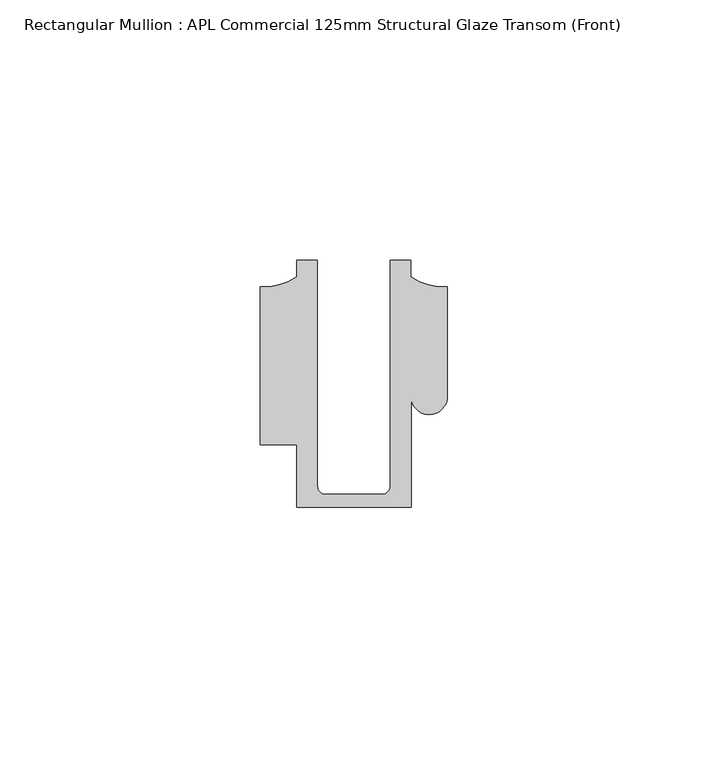
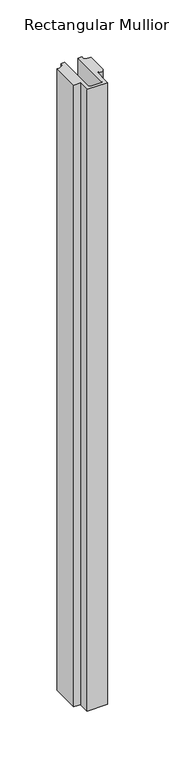
"""IFC4 building model written with IfcOpenShell, lengths in millimetres: member geometry, Rectangular Mullion : APL Commercial 125mm Structural Glaze Transom (Front)."""

import ifcopenshell
import ifcopenshell.guid

model = None  # the IFC model being written
_history = None  # IfcOwnerHistory: only IFC2X3 demands one
_inside = {}  # id of a spatial element -> (the spatial element, [elements in it])
_under = {}  # id of a project, library or spatial element -> (it, [spatial elements below it])
_declared = {}  # id of a project -> (the project, [libraries it declares])
_typed = {}  # id of a type object -> (the type object, [elements of that type])
_made_of = {}  # id of a material, layer set ... -> (it, [elements and type objects made of it])


def new_model(schema):
    """Start an empty IFC model of exactly this schema.

    Asked for "IFC4X3", IfcOpenShell would pick the latest addendum, in which some entities
    have other attributes; the version numbers below select the first issue.
    IFC2X3 requires an IfcOwnerHistory on every rooted entity: one is made here for all.
    """
    global model, _history
    if schema == "IFC4X3":
        model = ifcopenshell.file(schema_version=(4, 3, 0, 0))
    else:
        model = ifcopenshell.file(schema=schema)
    _inside.clear()
    _under.clear()
    _declared.clear()
    _typed.clear()
    _made_of.clear()
    _history = None
    if model.schema == "IFC2X3":
        org = make("IfcOrganization", Name="unknown")
        user = make(
            "IfcPersonAndOrganization",
            ThePerson=make("IfcPerson", FamilyName="unknown"),
            TheOrganization=org,
        )
        app = make(
            "IfcApplication",
            ApplicationDeveloper=org,
            Version="unknown",
            ApplicationFullName="unknown",
            ApplicationIdentifier="unknown",
        )
        _history = make(
            "IfcOwnerHistory",
            OwningUser=user,
            OwningApplication=app,
            ChangeAction="ADDED",
            CreationDate=0,
        )
    return model


def make(cls, **values):
    """One entity of the class cls with the attributes given. An attribute that is None is left unset."""
    return model.create_entity(
        cls, **{name: value for name, value in values.items() if value is not None}
    )


def rooted(cls, **values):
    """An entity with a GlobalId (a new one), such as an element, a storey or a relation."""
    return make(cls, GlobalId=ifcopenshell.guid.new(), OwnerHistory=_history, **values)


def si_unit(unit_type, name, prefix=None):
    """IfcSIUnit, for example si_unit("LENGTHUNIT", "METRE", prefix="MILLI")."""
    return make("IfcSIUnit", UnitType=unit_type, Prefix=prefix, Name=name)


def assignment(units):
    """IfcUnitAssignment: the units of a project."""
    return None if units is None else make("IfcUnitAssignment", Units=units)


def point(xyz):
    """IfcCartesianPoint."""
    return None if xyz is None else make("IfcCartesianPoint", Coordinates=xyz)


def direction(xyz):
    """IfcDirection."""
    return None if xyz is None else make("IfcDirection", DirectionRatios=xyz)


def frame(location, z_axis=None, x_axis=None):
    """IfcAxis2Placement3D, a coordinate frame: its origin and axes. An axis left out is left unset."""
    return make(
        "IfcAxis2Placement3D",
        Location=point(location),
        Axis=direction(z_axis),
        RefDirection=direction(x_axis),
    )


def origin():
    """The frame at (0, 0, 0) with its axes left unset."""
    return frame((0.0, 0.0, 0.0))


def place(relative_to, where):
    """IfcLocalPlacement: puts the frame where relative to a parent placement (None: the world)."""
    return make(
        "IfcLocalPlacement", PlacementRelTo=relative_to, RelativePlacement=where
    )


def context(
    kind, dimensions, precision=None, world=None, true_north=None, identifier=None
):
    """IfcGeometricRepresentationContext, for example the 3D "Model" context."""
    return make(
        "IfcGeometricRepresentationContext",
        ContextIdentifier=identifier,
        ContextType=kind,
        CoordinateSpaceDimension=dimensions,
        Precision=precision,
        WorldCoordinateSystem=world,
        TrueNorth=true_north,
    )


def project(units=None, contexts=None):
    """IfcProject with its units and contexts."""
    return rooted(
        "IfcProject",
        Name="project",
        RepresentationContexts=contexts,
        UnitsInContext=assignment(units),
    )


def spatial(cls, under=None, at=None, **own):
    """A site, building, storey or space (cls), placed at a placement, below another one or the project."""
    s = rooted(cls, ObjectPlacement=at, **own)
    if under is not None:
        _under.setdefault(under.id(), (under, []))[1].append(s)
    return s


def polyline(points):
    """IfcPolyline through the points."""
    return make("IfcPolyline", Points=[point(p) for p in points])


def circle_curve(where, radius):
    """IfcCircle in the frame where."""
    return make("IfcCircle", Position=where, Radius=radius)


def shape(context_of_items, identifier, shape_type, items):
    """IfcShapeRepresentation: the items that make up one representation, for example the "Body"."""
    return make(
        "IfcShapeRepresentation",
        ContextOfItems=context_of_items,
        RepresentationIdentifier=identifier,
        RepresentationType=shape_type,
        Items=items,
    )


def source(mapping_origin, context_of_items, identifier, shape_type, items):
    """IfcRepresentationMap: a shape defined once, which mapped items show again and again."""
    return make(
        "IfcRepresentationMap",
        MappingOrigin=mapping_origin,
        MappedRepresentation=shape(context_of_items, identifier, shape_type, items),
    )


def transform(
    local_origin,
    x_axis=None,
    y_axis=None,
    z_axis=None,
    scale=None,
    scale2=None,
    scale3=None,
    uniform=True,
):
    """IfcCartesianTransformationOperator3D, or its non-uniform kind. x_axis, y_axis, z_axis: its Axis1, 2, 3."""
    if uniform:
        return make(
            "IfcCartesianTransformationOperator3D",
            Axis1=direction(x_axis),
            Axis2=direction(y_axis),
            LocalOrigin=point(local_origin),
            Scale=scale,
            Axis3=direction(z_axis),
        )
    return make(
        "IfcCartesianTransformationOperator3DnonUniform",
        Axis1=direction(x_axis),
        Axis2=direction(y_axis),
        LocalOrigin=point(local_origin),
        Scale=scale,
        Axis3=direction(z_axis),
        Scale2=scale2,
        Scale3=scale3,
    )


def mapped(mapping_source, mapping_target):
    """IfcMappedItem: shows the shape of a source again, moved by a transform."""
    return make(
        "IfcMappedItem", MappingSource=mapping_source, MappingTarget=mapping_target
    )


def made_of(thing, what):
    """Note that an element or type object is made of a material, layer set ...; save() writes the relation."""
    if what is not None:
        _made_of.setdefault(what.id(), (what, []))[1].append(thing)
    return thing


def element(
    cls,
    number,
    at=None,
    inside=None,
    cuts=None,
    type_object=None,
    material=None,
    context=None,
    identifier="Body",
    shape_type=None,
    held_by="IfcProductDefinitionShape",
    body=None,
    shapes=None,
    **own,
):
    """One element of the class cls, such as IfcWall. Its Tag is "e" and its number.

    at: its placement. inside: the storey or other place that contains it. cuts: it is an
    opening in that element (IfcRelVoidsElement). A single representation is given by context,
    identifier, shape_type and body (its items); several are given by shapes. held_by: the class
    of the entity that holds the representations. save() writes the other relations.
    """
    e = rooted(cls, Tag="e%d" % number, ObjectPlacement=at, **own)
    if body is not None:
        shapes = [shape(context, identifier, shape_type, body)]
    if shapes is not None:
        e.Representation = make(held_by, Representations=shapes)
    if inside is not None:
        _inside.setdefault(inside.id(), (inside, []))[1].append(e)
    if cuts is not None:
        rooted(
            "IfcRelVoidsElement", RelatingBuildingElement=cuts, RelatedOpeningElement=e
        )
    if type_object is not None:
        _typed.setdefault(type_object.id(), (type_object, []))[1].append(e)
    return made_of(e, material)


def aggregate(whole, parts):
    """IfcRelAggregates: a whole, such as a stair, and the parts it consists of."""
    return rooted("IfcRelAggregates", RelatingObject=whole, RelatedObjects=parts)


def save(model, path):
    """Write the relations noted so far, then the file.

    IfcRelAggregates (storeys below a building ...), IfcRelContainedInSpatialStructure (elements
    in a storey), IfcRelDefinesByType, IfcRelAssociatesMaterial and IfcRelDeclares: one each for
    every whole, place, type object, material and project.
    """
    for whole, parts in _under.values():
        aggregate(whole, parts)
    for where, things in _inside.values():
        rooted(
            "IfcRelContainedInSpatialStructure",
            RelatedElements=things,
            RelatingStructure=where,
        )
    for kind, things in _typed.values():
        rooted("IfcRelDefinesByType", RelatedObjects=things, RelatingType=kind)
    for what, things in _made_of.values():
        rooted("IfcRelAssociatesMaterial", RelatedObjects=things, RelatingMaterial=what)
    for by, libraries in _declared.values():
        rooted("IfcRelDeclares", RelatingContext=by, RelatedDefinitions=libraries)
    model.write(path)


def plane_surface(at):
    """IfcPlane: the flat surface through the origin of the frame at, square to its z axis."""
    return make("IfcPlane", Position=at)


def cylinder_surface(at, radius):
    """IfcCylindricalSurface: all points at the distance radius from the z axis of the frame at."""
    return make("IfcCylindricalSurface", Position=at, Radius=radius)


def revolved_surface(curve, axis_point, axis_direction):
    """IfcSurfaceOfRevolution: the curve turned about the line through axis_point along axis_direction."""
    return make(
        "IfcSurfaceOfRevolution",
        SweptCurve=make("IfcArbitraryOpenProfileDef", ProfileType="CURVE", Curve=curve),
        AxisPosition=make("IfcAxis1Placement", Location=point(axis_point), Axis=direction(axis_direction)),
    )


def advanced_brep(points, edges, surfaces, faces):
    """IfcAdvancedBrep: a solid bounded by faces that lie on surfaces and meet in shared edges.

    An edge is (start, end): straight between two places in points (the first is 0);
    or (start, end, curve); or (start, end, curve, False) where it runs against its curve.
    A face is (place in surfaces, loops), or (place, loops, False) where it looks against
    its surface's normal. A loop lists edges by number (the first is 1), with a minus sign
    where the edge is run from its end to its start. The first loop is the outer one.
    """
    corners = [point(p) for p in points]
    vertices = [make("IfcVertexPoint", VertexGeometry=c) for c in corners]
    made = []
    for start, end, *more in edges:
        made.append(
            make(
                "IfcEdgeCurve",
                EdgeStart=vertices[start],
                EdgeEnd=vertices[end],
                EdgeGeometry=more[0] if more else make("IfcPolyline", Points=[corners[start], corners[end]]),
                SameSense=more[1] if len(more) > 1 else True,
            )
        )
    hull = []
    for where, loops, *sense in faces:
        bounds = []
        for j, loop in enumerate(loops):
            ring = [make("IfcOrientedEdge", EdgeElement=made[abs(k) - 1], Orientation=k > 0) for k in loop]
            bounds.append(
                make(
                    "IfcFaceOuterBound" if j == 0 else "IfcFaceBound",
                    Bound=make("IfcEdgeLoop", EdgeList=ring),
                    Orientation=True,
                )
            )
        hull.append(make("IfcAdvancedFace", Bounds=bounds, FaceSurface=surfaces[where], SameSense=sense[0] if sense else True))
    return make("IfcAdvancedBrep", Outer=make("IfcClosedShell", CfsFaces=hull))


def rectangular_mullion_apl_commercial_125mm_structural_glaze_621500fe(model_context):
    return source(origin(), model_context, "Body", "AdvancedBrep", [
        advanced_brep(
        [(-11.0000151, -27.0, 0.0), (11.001071, -27.0, 0.0), (11.001071, -5.5848769, 0.0), (17.9999091, -5.6750512, 0.0), (17.9999542, 15.3797475, 0.0), (11.0000151, 17.3125212, 0.0), (11.0000151, 20.5, 0.0), (6.9999849, 20.5, 0.0), (6.9999849, -22.9973451, 0.0), (5.4999872, -24.5, 0.0), (-5.4999873, -24.5, 0.0), (-6.9999853, -22.9976091, 0.0), (-6.9999853, 20.5, 0.0), (-10.9999994, 20.5, 0.0), (-10.9999994, 17.3125325, 0.0), (-17.9999542, 15.3797475, 0.0), (-17.9999542, -15.0006281, 0.0), (-11.0000151, -15.0006281, 0.0), (-11.0000151, -27.0, -695.1471772), (-11.0000151, -15.0006281, -695.1471772), (-17.9999542, -15.0006281, -695.1471772), (-17.9999542, 15.3797475, -695.1471772), (-10.9999994, 17.3125325, -695.1471772), (-10.9999994, 20.5, -695.1471772), (-6.9999853, 20.5, -695.1471772), (-6.9999853, -22.9976091, -695.1471772), (-5.4999873, -24.5, -695.1471772), (5.4999872, -24.5, -695.1471772), (6.9999849, -22.9973451, -695.1471772), (6.9999849, 20.5, -695.1471772), (11.0000151, 20.5, -695.1471772), (11.0000151, 17.3125212, -695.1471772), (17.9999542, 15.3797475, -695.1471772), (17.9999542, -5.684606, -695.1471772), (11.001071, -5.5848769, -695.1471772), (11.001071, -27.0, -695.1471772)],
        [
            (0, 1),
            (1, 2),
            (2, 3, circle_curve(frame((14.4999091, -5.6750512, 0.0), z_axis=(0.0, 0.0, 1.0), x_axis=(-0.9999826028573957, 0.005898642432633649, 0.0)), 3.5)),
            (3, 4),
            (4, 5, circle_curve(frame((17.109817, 25.7981812, 0.0), z_axis=(0.0, 0.0, -1.0), x_axis=(0.0, -1.0, 0.0)), 10.4563907)),
            (5, 6),
            (6, 7),
            (7, 8),
            (8, 9, circle_curve(frame((5.4999872, -23.0, 0.0), z_axis=(0.0, 0.0, -1.0), x_axis=(0.9999999999999986, 5.463622857820516e-08, 0.0)), 1.5)),
            (9, 10),
            (10, 11, circle_curve(frame((-5.4999873, -23.0, 0.0), z_axis=(0.0, 0.0, -1.0), x_axis=(2.7320010112268853e-08, -0.9999999999999997, 0.0)), 1.5)),
            (11, 12),
            (12, 13),
            (13, 14),
            (14, 15, circle_curve(frame((-17.109817, 25.7981812, 0.0), z_axis=(0.0, 0.0, -1.0), x_axis=(0.0, -1.0, 0.0)), 10.4563907)),
            (15, 16),
            (16, 17),
            (17, 0),
            (18, 19),
            (19, 20),
            (20, 21),
            (21, 22, circle_curve(frame((-17.109817, 25.7981812, -695.1471772), z_axis=(0.0, 0.0, 1.0), x_axis=(0.0, -1.0, 0.0)), 10.4563907)),
            (22, 23),
            (23, 24),
            (24, 25),
            (25, 26, circle_curve(frame((-5.4999873, -23.0, -695.1471772), z_axis=(0.0, 0.0, 1.0), x_axis=(2.7320010112268853e-08, -0.9999999999999997, 0.0)), 1.5)),
            (26, 27),
            (27, 28, circle_curve(frame((5.4999872, -23.0, -695.1471772), z_axis=(0.0, 0.0, 1.0), x_axis=(0.9999999999999986, 5.463622857820516e-08, 0.0)), 1.5)),
            (28, 29),
            (29, 30),
            (30, 31),
            (31, 32, circle_curve(frame((17.109817, 25.7981812, -695.1471772), z_axis=(0.0, 0.0, 1.0), x_axis=(0.0, -1.0, 0.0)), 10.4563907)),
            (32, 33),
            (33, 34, circle_curve(frame((14.4999091, -5.6750512, -695.1471772), z_axis=(0.0, 0.0, -1.0), x_axis=(-0.9999826028573957, 0.005898642432633649, 0.0)), 3.5)),
            (34, 35),
            (35, 18),
            (0, 18),
            (35, 1),
            (34, 2),
            (33, 3),
            (32, 4),
            (31, 5),
            (30, 6),
            (29, 7),
            (28, 8),
            (27, 9),
            (26, 10),
            (25, 11),
            (24, 12),
            (23, 13),
            (22, 14),
            (21, 15),
            (20, 16),
            (19, 17),
        ],
        [
            plane_surface(frame((0.0, -29.1551636, 0.0), z_axis=(0.0, 0.0, 1.0), x_axis=(-1.0, 0.0, 0.0))),
            plane_surface(frame((0.0, -29.1551636, -695.1471772), z_axis=(0.0, 0.0, -1.0), x_axis=(-1.0, 0.0, 0.0))),
            plane_surface(frame((-11.0000151, -27.0, 0.0), z_axis=(0.0, -1.0, 0.0), x_axis=(0.0, 0.0, -1.0))),
            plane_surface(frame((11.001071, -27.0, 0.0), z_axis=(1.0, 0.0, 0.0), x_axis=(0.0, 0.0, -1.0))),
            cylinder_surface(frame((14.4999091, -5.6750512, 0.0), z_axis=(0.0, 0.0, 1.0), x_axis=(-0.9999826028573957, 0.005898642432633649, 0.0)), 3.5),
            plane_surface(frame((17.9999542, -5.684606, 0.0), z_axis=(1.0, 0.0, 0.0), x_axis=(0.0, 0.0, -1.0))),
            revolved_surface(polyline([(17.109817, 15.341790499999998, -695.1471772), (17.109817, 15.341790499999998, 0.0)]), (17.109817, 25.7981812, 0.0), (0.0, 0.0, -1.0)),
            plane_surface(frame((11.0000151, 17.3125212, 0.0), z_axis=(1.0, 0.0, 0.0), x_axis=(0.0, 0.0, -1.0))),
            plane_surface(frame((11.0000151, 20.5, 0.0), z_axis=(0.0, 1.0, 0.0), x_axis=(0.0, 0.0, -1.0))),
            plane_surface(frame((6.9999849, 20.5, 0.0), z_axis=(-1.0, 0.0, 0.0), x_axis=(0.0, 0.0, -1.0))),
            revolved_surface(polyline([(6.999987199999998, -22.999999918045656, -695.1471772), (6.999987199999998, -22.999999918045656, 0.0)]), (5.4999872, -23.0, 0.0), (0.0, 0.0, -1.0)),
            plane_surface(frame((5.4999872, -24.5, 0.0), z_axis=(0.0, 1.0, 0.0), x_axis=(0.0, 0.0, -1.0))),
            revolved_surface(polyline([(-5.499987259019985, -24.5, -695.1471772), (-5.499987259019985, -24.5, 0.0)]), (-5.4999873, -23.0, 0.0), (0.0, 0.0, -1.0)),
            plane_surface(frame((-6.9999853, -22.9976091, 0.0), z_axis=(1.0, 0.0, 0.0), x_axis=(0.0, 0.0, -1.0))),
            plane_surface(frame((-6.9999853, 20.5, 0.0), z_axis=(0.0, 1.0, 0.0), x_axis=(0.0, 0.0, -1.0))),
            plane_surface(frame((-10.9999994, 20.5, 0.0), z_axis=(-1.0, 0.0, 0.0), x_axis=(0.0, 0.0, -1.0))),
            revolved_surface(polyline([(-17.109817, 15.341790499999998, -695.1471772), (-17.109817, 15.341790499999998, 0.0)]), (-17.109817, 25.7981812, 0.0), (0.0, 0.0, -1.0)),
            plane_surface(frame((-17.9999542, 15.3797475, 0.0), z_axis=(-1.0, 0.0, 0.0), x_axis=(0.0, 0.0, -1.0))),
            plane_surface(frame((-17.9999542, -15.0006281, 0.0), z_axis=(0.0, -1.0, 0.0), x_axis=(0.0, 0.0, -1.0))),
            plane_surface(frame((-11.0000151, -15.0006281, 0.0), z_axis=(-1.0, 0.0, 0.0), x_axis=(0.0, 0.0, -1.0))),
        ],
        [
            (0, [[1, 2, 3, 4, 5, 6, 7, 8, 9, 10, 11, 12, 13, 14, 15, 16, 17, 18]]),
            (1, [[19, 20, 21, 22, 23, 24, 25, 26, 27, 28, 29, 30, 31, 32, 33, 34, 35, 36]]),
            (2, [[-1, 37, -36, 38]]),
            (3, [[-2, -38, -35, 39]]),
            (4, [[-3, -39, -34, 40]]),
            (5, [[-4, -40, -33, 41]]),
            (6, [[-5, -41, -32, 42]]),
            (7, [[-6, -42, -31, 43]]),
            (8, [[-7, -43, -30, 44]]),
            (9, [[-8, -44, -29, 45]]),
            (10, [[-9, -45, -28, 46]]),
            (11, [[-10, -46, -27, 47]]),
            (12, [[-11, -47, -26, 48]]),
            (13, [[-12, -48, -25, 49]]),
            (14, [[-13, -49, -24, 50]]),
            (15, [[-14, -50, -23, 51]]),
            (16, [[-15, -51, -22, 52]]),
            (17, [[-16, -52, -21, 53]]),
            (18, [[-17, -53, -20, 54]]),
            (19, [[-18, -54, -19, -37]]),
        ],
    ),
    ])


if __name__ == "__main__":
    model = new_model("IFC4")
    model_context = context("Model", 3, world=origin())
    ifc_project = project(units=[si_unit("LENGTHUNIT", "METRE", prefix="MILLI")], contexts=[model_context])
    site = spatial("IfcSite", under=ifc_project)
    building = spatial("IfcBuilding", under=site)
    placement = place(None, origin())
    rectangular_mullion_apl_commercial_125mm_structural_glaze_shape = rectangular_mullion_apl_commercial_125mm_structural_glaze_621500fe(model_context)
    element("IfcMember", 1, ObjectType="Rectangular Mullion : APL Commercial 125mm Structural Glaze Transom (Front)", at=placement, inside=building, context=model_context, shape_type="MappedRepresentation", body=[
        mapped(rectangular_mullion_apl_commercial_125mm_structural_glaze_shape, transform((0.0, 0.0, 0.0), x_axis=(1.0, 0.0, 0.0), y_axis=(0.0, 1.0, 0.0), z_axis=(0.0, 0.0, 1.0))),
    ])
    save(model, "model.ifc")
